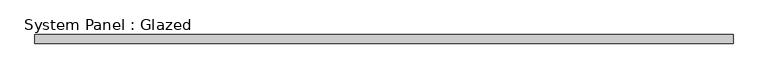
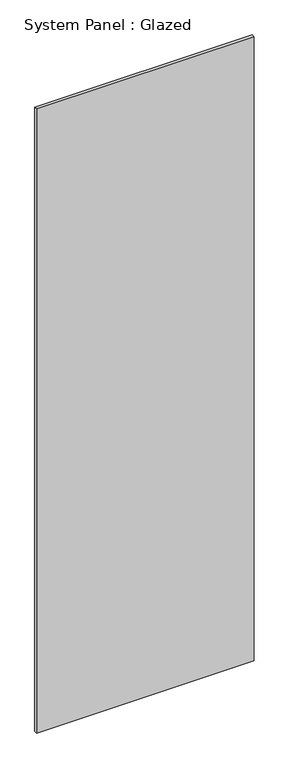
"""IFC4 building model written with IfcOpenShell, lengths in millimetres: plate geometry, System Panel : Glazed."""

from ifc_helpers import new_model, si_unit, origin, origin_with_axes, place, context, project, spatial, polyline, outline, extrude, source, transform, mapped, element, save


def system_panel_glazed_31607270(model_context):
    return source(origin(), model_context, "Body", "SweptSolid", [
        extrude(outline(polyline([(985.3083333, -44.45), (-985.3083333, -44.45), (-985.3083333, -19.05), (985.3083333, -19.05), (985.3083333, -44.45)])), origin_with_axes(), (0.0, 0.0, 1.0), 5969.0),
    ])


if __name__ == "__main__":
    model = new_model("IFC4")
    model_context = context("Model", 3, world=origin())
    ifc_project = project(units=[si_unit("LENGTHUNIT", "METRE", prefix="MILLI")], contexts=[model_context])
    site = spatial("IfcSite", under=ifc_project)
    building = spatial("IfcBuilding", under=site)
    placement = place(None, origin())
    system_panel_glazed_shape = system_panel_glazed_31607270(model_context)
    element("IfcPlate", 1, ObjectType="System Panel : Glazed", at=placement, inside=building, context=model_context, shape_type="MappedRepresentation", body=[
        mapped(system_panel_glazed_shape, transform((0.0, 0.0, 0.0), x_axis=(1.0, 0.0, 0.0), y_axis=(0.0, 1.0, 0.0), z_axis=(0.0, 0.0, 1.0))),
    ])
    save(model, "model.ifc")
